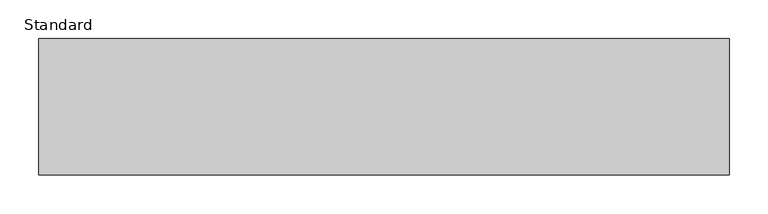
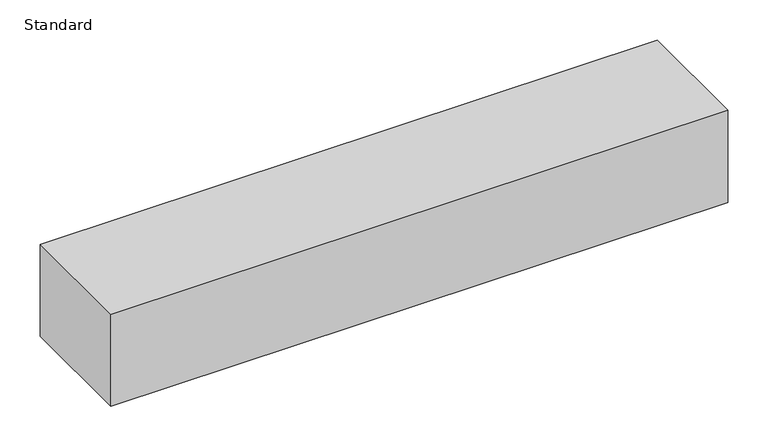
"""IFC4 building model written with IfcOpenShell, lengths in millimetres: proxy geometry, Standard."""

from ifc_helpers import new_model, si_unit, frame, origin, place, context, project, spatial, polyline, outline, extrude, source, transform, mapped, element, save


def standard_7f2471f8(model_context):
    return source(origin(), model_context, "Body", "SweptSolid", [
        extrude(outline(polyline([(442.5, 5.0), (-442.5, 5.0), (-442.5, 180.0), (442.5, 180.0), (442.5, 5.0)])), frame((0.0, 0.0, -150.0), z_axis=(0.0, 0.0, 1.0), x_axis=(1.0, 0.0, 0.0)), (0.0, 0.0, 1.0), 140.0),
    ])


if __name__ == "__main__":
    model = new_model("IFC4")
    model_context = context("Model", 3, world=origin())
    ifc_project = project(units=[si_unit("LENGTHUNIT", "METRE", prefix="MILLI")], contexts=[model_context])
    site = spatial("IfcSite", under=ifc_project)
    building = spatial("IfcBuilding", under=site)
    placement = place(None, origin())
    standard_shape = standard_7f2471f8(model_context)
    element("IfcBuildingElementProxy", 1, Name="Standard", ObjectType="Standard", at=placement, inside=building, context=model_context, shape_type="MappedRepresentation", body=[
        mapped(standard_shape, transform((0.0, 0.0, 0.0), x_axis=(1.0, 0.0, 0.0), y_axis=(0.0, 1.0, 0.0), z_axis=(0.0, 0.0, 1.0))),
    ])
    save(model, "model.ifc")
